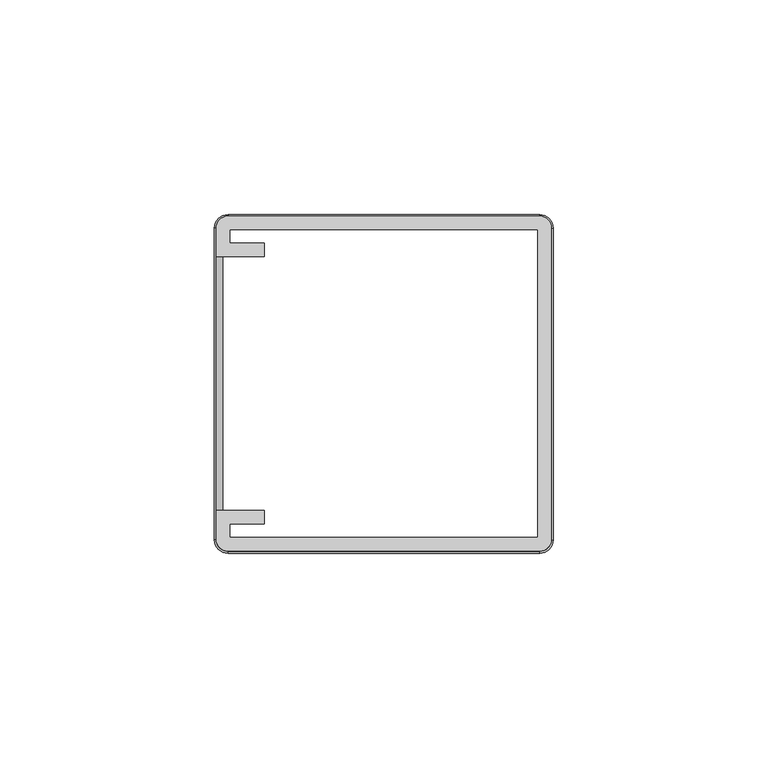
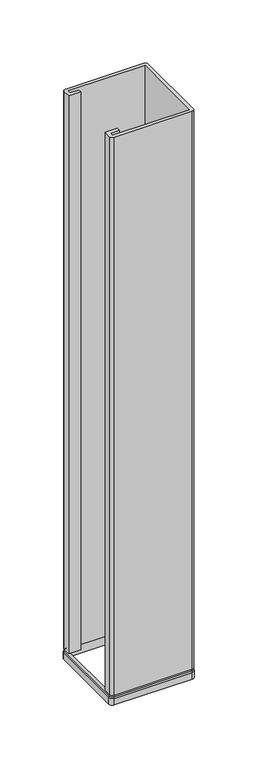
"""IFC4 building model written with IfcOpenShell, lengths in millimetres: furniture geometry."""

from ifc_helpers import new_model, si_unit, point, frame, frame_2d, origin, place, context, project, spatial, polyline, circle_curve, trimmed, segment, composite_curve, outline, extrude, source, transform, mapped, element, save
from ifc_brep_helpers import plane_surface, cylinder_surface, revolved_surface, advanced_brep


def furniture_78af3bd8(model_context):
    return source(origin(), model_context, "Body", "SolidModel", [
        advanced_brep(
        [(39.4985875, 36.3108875, 1150.3421875), (36.3331141, 39.4985875, 1150.3421875), (36.3331141, 39.4985875, 1156.6686035), (39.4985875, 36.3108875, 1156.6686035), (37.4968306, 36.3108875, 1159.8671875), (36.319108, 37.4968796, 1159.8671875), (36.319108, 37.4968796, 1150.3421875), (37.4968306, 36.3108875, 1150.3421875), (39.0605182, 36.3108875, 1158.3035002), (36.330049, 39.0605289, 1158.3035002), (39.4985875, -36.3331141, 1156.6686035), (39.4985875, -36.3331141, 1150.3421875), (37.4968306, -36.3331141, 1150.3421875), (37.4968306, -36.3331141, 1159.8671875), (39.0605182, -36.3331141, 1158.3035002), (36.3331141, -39.4985875, 1150.3421875), (36.3331141, -39.4985875, 1156.6686035), (36.3331141, -37.4968306, 1159.8671875), (36.3331141, -37.4968306, 1150.3421875), (36.3331141, -39.0605182, 1158.3035002), (-36.3108875, -39.4985875, 1156.6686035), (-36.3108875, -39.4985875, 1150.3421875), (-36.3108875, -37.4968306, 1150.3421875), (-36.3108875, -37.4968306, 1159.8671875), (-36.3108875, -39.0605182, 1158.3035002), (-39.4985875, -36.3331141, 1150.3421875), (-39.4985875, -36.3331141, 1156.6686035), (-37.4968796, -36.319108, 1159.8671875), (-37.4968796, -36.319108, 1150.3421875), (-39.0605289, -36.330049, 1158.3035002), (-39.4985875, 36.3108875, 1156.6686035), (-39.4985875, 36.3108875, 1150.3421875), (-37.4968306, 36.3108875, 1150.3421875), (-37.4968306, 36.3108875, 1159.8671875), (-39.0605182, 36.3108875, 1158.3035002), (-36.3108875, 39.4985875, 1150.3421875), (-36.3108875, 39.4985875, 1156.6686035), (-36.3108875, 37.4968306, 1159.8671875), (-36.3108875, 37.4968306, 1150.3421875), (-36.3108875, 39.0605182, 1158.3035002)],
        [
            (0, 1, circle_curve(frame((36.3108095, 36.3108875, 1150.3421875), z_axis=(0.0, 0.0, 1.0), x_axis=(0.006996923640459943, 0.9999755212301797, 0.0)), 3.187778)),
            (1, 2),
            (2, 3, circle_curve(frame((36.3108095, 36.3108875, 1156.6686035), z_axis=(0.0, 0.0, -1.0), x_axis=(0.006996923640459943, 0.9999755212301797, 0.0)), 3.187778)),
            (3, 0),
            (4, 5, circle_curve(frame((36.3108095, 36.3108875, 1159.8671875), z_axis=(0.0, 0.0, 1.0), x_axis=(0.006996923640459943, 0.9999755212301797, 0.0)), 1.1860211)),
            (5, 6),
            (6, 7, circle_curve(frame((36.3108095, 36.3108875, 1150.3421875), z_axis=(0.0, 0.0, -1.0), x_axis=(0.006996923640459943, 0.9999755212301797, 0.0)), 1.1860211)),
            (7, 4),
            (8, 9, circle_curve(frame((36.3108095, 36.3108875, 1158.3035002), z_axis=(0.0, 0.0, 1.0), x_axis=(0.006996923640459943, 0.9999755212301797, 0.0)), 2.7497086)),
            (9, 5),
            (4, 8),
            (2, 9),
            (8, 3),
            (3, 10),
            (10, 11),
            (11, 0),
            (7, 12),
            (12, 13),
            (13, 4),
            (13, 14),
            (14, 8),
            (14, 10),
            (15, 11, circle_curve(frame((36.3331141, -36.3331141, 1150.3421875), z_axis=(0.0, 0.0, 1.0), x_axis=(1.0, 0.0, 0.0)), 3.1654734)),
            (10, 16, circle_curve(frame((36.3331141, -36.3331141, 1156.6686035), z_axis=(0.0, 0.0, -1.0), x_axis=(1.0, 0.0, 0.0)), 3.1654734)),
            (16, 15),
            (17, 13, circle_curve(frame((36.3331141, -36.3331141, 1159.8671875), z_axis=(0.0, 0.0, 1.0), x_axis=(1.0, 0.0, 0.0)), 1.1637165)),
            (12, 18, circle_curve(frame((36.3331141, -36.3331141, 1150.3421875), z_axis=(0.0, 0.0, -1.0), x_axis=(1.0, 0.0, 0.0)), 1.1637165)),
            (18, 17),
            (19, 14, circle_curve(frame((36.3331141, -36.3331141, 1158.3035002), z_axis=(0.0, 0.0, 1.0), x_axis=(1.0, 0.0, 0.0)), 2.727404)),
            (17, 19),
            (19, 16),
            (16, 20),
            (20, 21),
            (21, 15),
            (18, 22),
            (22, 23),
            (23, 17),
            (23, 24),
            (24, 19),
            (24, 20),
            (25, 21, circle_curve(frame((-36.3108875, -36.3108095, 1150.3421875), z_axis=(0.0, 0.0, 1.0), x_axis=(0.0, -1.0, 0.0)), 3.187778)),
            (20, 26, circle_curve(frame((-36.3108875, -36.3108095, 1156.6686035), z_axis=(0.0, 0.0, -1.0), x_axis=(0.0, -1.0, 0.0)), 3.187778)),
            (26, 25),
            (27, 23, circle_curve(frame((-36.3108875, -36.3108095, 1159.8671875), z_axis=(0.0, 0.0, 1.0), x_axis=(0.0, -1.0, 0.0)), 1.1860211)),
            (22, 28, circle_curve(frame((-36.3108875, -36.3108095, 1150.3421875), z_axis=(0.0, 0.0, -1.0), x_axis=(0.0, -1.0, 0.0)), 1.1860211)),
            (28, 27),
            (29, 24, circle_curve(frame((-36.3108875, -36.3108095, 1158.3035002), z_axis=(0.0, 0.0, 1.0), x_axis=(0.0, -1.0, 0.0)), 2.7497086)),
            (27, 29),
            (29, 26),
            (26, 30),
            (30, 31),
            (31, 25),
            (28, 32),
            (32, 33),
            (33, 27),
            (33, 34),
            (34, 29),
            (34, 30),
            (35, 31, circle_curve(frame((-36.3108875, 36.3108875, 1150.3421875), z_axis=(0.0, 0.0, 1.0), x_axis=(-1.0, 0.0, 0.0)), 3.1877)),
            (30, 36, circle_curve(frame((-36.3108875, 36.3108875, 1156.6686035), z_axis=(0.0, 0.0, -1.0), x_axis=(-1.0, 0.0, 0.0)), 3.1877)),
            (36, 35),
            (37, 33, circle_curve(frame((-36.3108875, 36.3108875, 1159.8671875), z_axis=(0.0, 0.0, 1.0), x_axis=(-1.0, 0.0, 0.0)), 1.1859431)),
            (32, 38, circle_curve(frame((-36.3108875, 36.3108875, 1150.3421875), z_axis=(0.0, 0.0, -1.0), x_axis=(-1.0, 0.0, 0.0)), 1.1859431)),
            (38, 37),
            (39, 34, circle_curve(frame((-36.3108875, 36.3108875, 1158.3035002), z_axis=(0.0, 0.0, 1.0), x_axis=(-1.0, 0.0, 0.0)), 2.7496306)),
            (37, 39),
            (39, 36),
            (36, 2),
            (1, 35),
            (6, 38),
            (5, 37),
            (9, 39),
        ],
        [
            cylinder_surface(frame((36.3108095, 36.3108875, 1159.8671875), z_axis=(0.0, 0.0, -1.0), x_axis=(0.006996923640459943, 0.9999755212301797, 0.0)), 3.187778),
            revolved_surface(polyline([(36.31910799907267, 37.49687956766249, 1150.3421875), (36.31910799907267, 37.49687956766249, 1159.8671875)]), (36.3108095, 36.3108875, 1159.8671875), (0.0, 0.0, -1.0)),
            revolved_surface(polyline([(36.319108, 37.4968796, 1159.8671873), (36.330049, 39.0605289, 1158.3035002)]), (36.3108095, 36.3108875, 1159.8671875), (0.0, 0.0, -1.0)),
            revolved_surface(polyline([(36.330049, 39.0605289, 1158.3035002), (36.3331141, 39.4985875, 1156.6686035)]), (36.3108095, 36.3108875, 1159.8671875), (0.0, 0.0, -1.0)),
            plane_surface(frame((39.4985875, 36.3108875, 1156.6686035), z_axis=(1.0, 0.0, 0.0), x_axis=(0.0, -1.0, 0.0))),
            plane_surface(frame((37.4968306, 36.3108875, 1150.3421875), z_axis=(-1.0, 0.0, 0.0), x_axis=(0.0, -1.0, 0.0))),
            plane_surface(frame((37.4968306, 36.3108875, 1159.8671873), z_axis=(0.707106692127268, 0.0, 0.7071068702458161), x_axis=(0.0, -1.0, 0.0))),
            plane_surface(frame((39.0605182, 36.3108875, 1158.3035002), z_axis=(0.9659258119020668, 0.0, 0.2588190987955354), x_axis=(0.0, -1.0, 0.0))),
            cylinder_surface(frame((36.3331141, -36.3331141, 1159.8671875), z_axis=(0.0, 0.0, -1.0), x_axis=(1.0, 0.0, 0.0)), 3.1654734),
            revolved_surface(polyline([(37.4968306, -36.3331141, 1150.3421875), (37.4968306, -36.3331141, 1159.8671875)]), (36.3331141, -36.3331141, 1159.8671875), (0.0, 0.0, -1.0)),
            revolved_surface(polyline([(37.4968306, -36.3331141, 1159.8671873), (39.0605182, -36.3331141, 1158.3035002)]), (36.3331141, -36.3331141, 1159.8671875), (0.0, 0.0, -1.0)),
            revolved_surface(polyline([(39.0605182, -36.3331141, 1158.3035002), (39.4985875, -36.3331141, 1156.6686035)]), (36.3331141, -36.3331141, 1159.8671875), (0.0, 0.0, -1.0)),
            plane_surface(frame((36.3331141, -39.4985875, 1156.6686035), z_axis=(0.0, -1.0, 0.0), x_axis=(-1.0, 0.0, 0.0))),
            plane_surface(frame((36.3331141, -37.4968306, 1150.3421875), z_axis=(0.0, 1.0, 0.0), x_axis=(-1.0, 0.0, 0.0))),
            plane_surface(frame((36.3331141, -37.4968306, 1159.8671873), z_axis=(0.0, -0.7071066921272655, 0.7071068702458183), x_axis=(-1.0, 0.0, 0.0))),
            plane_surface(frame((36.3331141, -39.0605182, 1158.3035002), z_axis=(0.0, -0.965925811902066, 0.2588190987955385), x_axis=(-1.0, 0.0, 0.0))),
            cylinder_surface(frame((-36.3108875, -36.3108095, 1159.8671875), z_axis=(0.0, 0.0, -1.0), x_axis=(0.0, -1.0, 0.0)), 3.187778),
            revolved_surface(polyline([(-36.3108875, -37.496830599999996, 1150.3421875), (-36.3108875, -37.496830599999996, 1159.8671875)]), (-36.3108875, -36.3108095, 1159.8671875), (0.0, 0.0, -1.0)),
            revolved_surface(polyline([(-36.3108875, -37.4968306, 1159.8671873), (-36.3108875, -39.0605182, 1158.3035002)]), (-36.3108875, -36.3108095, 1159.8671875), (0.0, 0.0, -1.0)),
            revolved_surface(polyline([(-36.3108875, -39.0605182, 1158.3035002), (-36.3108875, -39.4985875, 1156.6686035)]), (-36.3108875, -36.3108095, 1159.8671875), (0.0, 0.0, -1.0)),
            plane_surface(frame((-39.4985875, -36.3331141, 1156.6686035), z_axis=(-1.0, 0.0, 0.0), x_axis=(0.0, 1.0, 0.0))),
            plane_surface(frame((-37.4968306, -36.3191077, 1150.3421875), z_axis=(1.0, 0.0, 0.0), x_axis=(0.0, 1.0, 0.0))),
            plane_surface(frame((-37.4968306, -36.3191077, 1159.8671873), z_axis=(-0.7071066921272633, 0.0, 0.7071068702458206), x_axis=(0.0, 1.0, 0.0))),
            plane_surface(frame((-39.0605182, -36.3300489, 1158.3035002), z_axis=(-0.9659258119020653, 0.0, 0.2588190987955416), x_axis=(0.0, 1.0, 0.0))),
            cylinder_surface(frame((-36.3108875, 36.3108875, 1159.8671875), z_axis=(0.0, 0.0, -1.0), x_axis=(-1.0, 0.0, 0.0)), 3.1877),
            revolved_surface(polyline([(-37.4968306, 36.3108875, 1150.3421875), (-37.4968306, 36.3108875, 1159.8671875)]), (-36.3108875, 36.3108875, 1159.8671875), (0.0, 0.0, -1.0)),
            revolved_surface(polyline([(-37.4968306, 36.3108875, 1159.8671873), (-39.0605182, 36.3108875, 1158.3035002)]), (-36.3108875, 36.3108875, 1159.8671875), (0.0, 0.0, -1.0)),
            revolved_surface(polyline([(-39.0605182, 36.3108875, 1158.3035002), (-39.4985875, 36.3108875, 1156.6686035)]), (-36.3108875, 36.3108875, 1159.8671875), (0.0, 0.0, -1.0)),
            plane_surface(frame((-36.3108875, 39.4985875, 1156.6686035), z_axis=(0.0, 1.0, 0.0), x_axis=(1.0, 0.0, 0.0))),
            plane_surface(frame((-36.3108875, 39.4985875, 1150.3421875), z_axis=(0.0, 0.0, -1.0), x_axis=(1.0, 0.0, 0.0))),
            plane_surface(frame((-36.3108875, 37.4968306, 1150.3421875), z_axis=(0.0, -1.0, 0.0), x_axis=(1.0, 0.0, 0.0))),
            plane_surface(frame((-36.3108875, 37.4968306, 1159.8671873), z_axis=(0.0, 0.7071066921272656, 0.7071068702458183), x_axis=(1.0, 0.0, 0.0))),
            plane_surface(frame((-36.3108875, 39.0605182, 1158.3035002), z_axis=(0.0, 0.965925811902066, 0.25881909879553844), x_axis=(1.0, 0.0, 0.0))),
        ],
        [
            (0, [[1, 2, 3, 4]]),
            (1, [[5, 6, 7, 8]]),
            (2, [[9, 10, -5, 11]]),
            (3, [[-3, 12, -9, 13]]),
            (4, [[-4, 14, 15, 16]]),
            (5, [[-8, 17, 18, 19]]),
            (6, [[-11, -19, 20, 21]]),
            (7, [[-13, -21, 22, -14]]),
            (8, [[23, -15, 24, 25]]),
            (9, [[26, -18, 27, 28]]),
            (10, [[29, -20, -26, 30]]),
            (11, [[-24, -22, -29, 31]]),
            (12, [[-25, 32, 33, 34]]),
            (13, [[-28, 35, 36, 37]]),
            (14, [[-30, -37, 38, 39]]),
            (15, [[-31, -39, 40, -32]]),
            (16, [[41, -33, 42, 43]]),
            (17, [[44, -36, 45, 46]]),
            (18, [[47, -38, -44, 48]]),
            (19, [[-42, -40, -47, 49]]),
            (20, [[-43, 50, 51, 52]]),
            (21, [[-46, 53, 54, 55]]),
            (22, [[-48, -55, 56, 57]]),
            (23, [[-49, -57, 58, -50]]),
            (24, [[59, -51, 60, 61]]),
            (25, [[62, -54, 63, 64]]),
            (26, [[65, -56, -62, 66]]),
            (27, [[-60, -58, -65, 67]]),
            (28, [[-61, 68, -2, 69]]),
            (29, [[-52, -59, -69, -1, -16, -23, -34, -41], [70, -63, -53, -45, -35, -27, -17, -7]]),
            (30, [[-64, -70, -6, 71]]),
            (31, [[-66, -71, -10, 72]]),
            (32, [[-67, -72, -12, -68]]),
        ],
    ),
        extrude(outline(composite_curve([segment(polyline([(-39.0921875, 29.5671875), (-39.0921875, 36.3108875)]), True, "CONTINUOUS"), segment(trimmed(circle_curve(frame_2d((-36.3108875, 36.3108875)), 2.7813), [point((-39.0921875, 36.3108875))], [point((-36.3108875, 39.0921875))], False, "CARTESIAN"), True, "CONTINUOUS"), segment(polyline([(-36.3108875, 39.0921875), (36.3331141, 39.0921875)]), True, "CONTINUOUS"), segment(trimmed(circle_curve(frame_2d((36.310798, 36.3108875)), 2.7813895), [point((36.3331141, 39.0921875))], [point((39.0921875, 36.3108875))], False, "CARTESIAN"), True, "CONTINUOUS"), segment(polyline([(39.0921875, 36.3108875), (39.0921875, -36.3331141)]), True, "CONTINUOUS"), segment(trimmed(circle_curve(frame_2d((36.3331141, -36.3331141)), 2.7590734), [point((39.0921875, -36.3331141))], [point((36.3331141, -39.0921875))], False, "CARTESIAN"), True, "CONTINUOUS"), segment(polyline([(36.3331141, -39.0921875), (-36.3108875, -39.0921875)]), True, "CONTINUOUS"), segment(trimmed(circle_curve(frame_2d((-36.3330253, -36.3331141)), 2.7591622), [point((-36.3108875, -39.0921875))], [point((-39.0921875, -36.3331141))], False, "CARTESIAN"), True, "CONTINUOUS"), segment(polyline([(-39.0921875, -36.3331141), (-39.0921875, -29.5671875), (-27.9161879, -29.5671875), (-27.9161879, -32.7421875), (-35.9171875, -32.7421875), (-35.9171875, -35.9171875), (35.9171875, -35.9171875), (35.9171875, 35.9171875), (-35.9171875, 35.9171875), (-35.9171875, 32.7421875), (-27.9161879, 32.7421875), (-27.9161879, 29.5671875), (-39.0921875, 29.5671875)]), True, "CONTINUOUS")], self_intersect=False)), frame((0.0, 0.0, 1159.8671875), z_axis=(0.0, 0.0, 1.0), x_axis=(1.0, 0.0, 0.0)), (0.0, 0.0, 1.0), 549.7710938),
    ])


if __name__ == "__main__":
    model = new_model("IFC4")
    model_context = context("Model", 3, world=origin())
    ifc_project = project(units=[si_unit("LENGTHUNIT", "METRE", prefix="MILLI")], contexts=[model_context])
    site = spatial("IfcSite", under=ifc_project)
    building = spatial("IfcBuilding", under=site)
    placement = place(None, origin())
    furniture_shape = furniture_78af3bd8(model_context)
    element("IfcFurniture", 1, at=placement, inside=building, context=model_context, shape_type="MappedRepresentation", body=[
        mapped(furniture_shape, transform((0.0, 0.0, 0.0), x_axis=(1.0, 0.0, 0.0), y_axis=(0.0, 1.0, 0.0), z_axis=(0.0, 0.0, 1.0))),
    ])
    save(model, "model.ifc")
